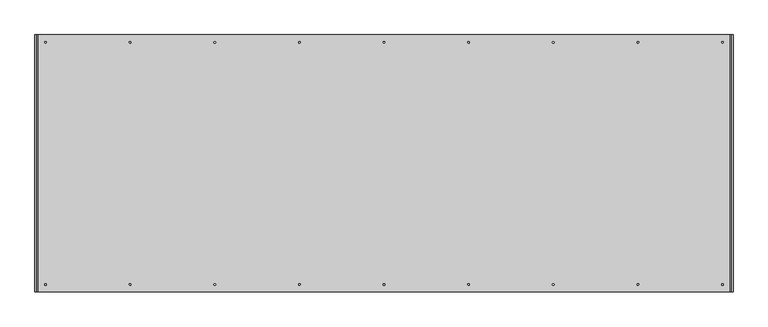
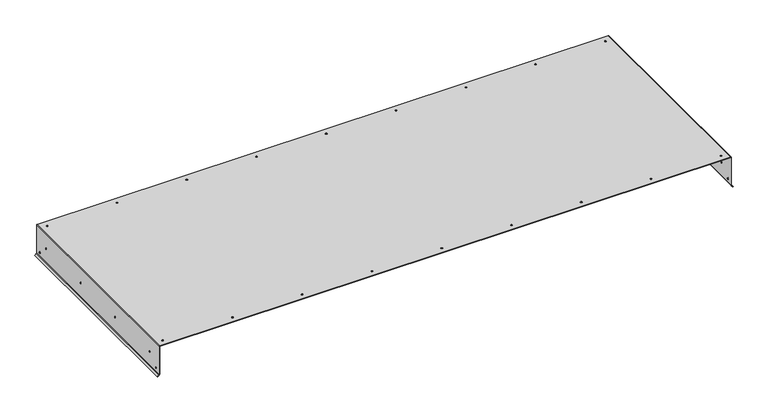
"""IFC4 building model written with IfcOpenShell, lengths in millimetres: proxy geometry."""

from ifc_helpers import new_model, si_unit, frame, origin, place, context, project, spatial, polyline, circle_curve, source, transform, mapped, element, save
from ifc_brep_helpers import plane_surface, cylinder_surface, revolved_surface, advanced_brep


def generic_models_535d8d44(model_context):
    return source(origin(), model_context, "Body", "AdvancedBrep", [
        advanced_brep(
        [(18.81378, -15.63624, 0.0), (18.81378, -15.63624, 1.00584), (15.38478, -15.63624, 1.00584), (15.38478, -15.63624, 0.0), (196.61378, -15.63624, 0.0), (196.61378, -15.63624, 1.00584), (193.18478, -15.63624, 1.00584), (193.18478, -15.63624, 0.0), (374.41378, -15.63624, 0.0), (374.41378, -15.63624, 1.00584), (370.98478, -15.63624, 1.00584), (370.98478, -15.63624, 0.0), (552.21378, -15.63624, 0.0), (552.21378, -15.63624, 1.00584), (548.78478, -15.63624, 1.00584), (548.78478, -15.63624, 0.0), (730.01378, -15.63624, 0.0), (730.01378, -15.63624, 1.00584), (726.58478, -15.63624, 1.00584), (726.58478, -15.63624, 0.0), (907.81378, -15.63624, 0.0), (907.81378, -15.63624, 1.00584), (904.38478, -15.63624, 1.00584), (904.38478, -15.63624, 0.0), (1085.61378, -15.63624, 0.0), (1085.61378, -15.63624, 1.00584), (1082.18478, -15.63624, 1.00584), (1082.18478, -15.63624, 0.0), (1263.41378, -15.63624, 0.0), (1263.41378, -15.63624, 1.00584), (1259.98478, -15.63624, 1.00584), (1259.98478, -15.63624, 0.0), (1441.21378, -15.63624, 0.0), (1441.21378, -15.63624, 1.00584), (1437.78478, -15.63624, 1.00584), (1437.78478, -15.63624, 0.0), (1441.21378, -525.34312, 0.0), (1441.21378, -525.34312, 1.00584), (1437.78478, -525.34312, 1.00584), (1437.78478, -525.34312, 0.0), (1263.41378, -525.34312, 0.0), (1263.41378, -525.34312, 1.00584), (1259.98478, -525.34312, 1.00584), (1259.98478, -525.34312, 0.0), (1085.61378, -525.34312, 0.0), (1085.61378, -525.34312, 1.00584), (1082.18478, -525.34312, 1.00584), (1082.18478, -525.34312, 0.0), (907.81378, -525.34312, 0.0), (907.81378, -525.34312, 1.00584), (904.38478, -525.34312, 1.00584), (904.38478, -525.34312, 0.0), (730.01378, -525.34312, 0.0), (730.01378, -525.34312, 1.00584), (726.58478, -525.34312, 1.00584), (726.58478, -525.34312, 0.0), (552.21378, -525.34312, 0.0), (552.21378, -525.34312, 1.00584), (548.78478, -525.34312, 1.00584), (548.78478, -525.34312, 0.0), (374.41378, -525.34312, 0.0), (374.41378, -525.34312, 1.00584), (370.98478, -525.34312, 1.00584), (370.98478, -525.34312, 0.0), (196.61378, -525.34312, 0.0), (196.61378, -525.34312, 1.00584), (193.18478, -525.34312, 1.00584), (193.18478, -525.34312, 0.0), (18.81378, -525.34312, 0.0), (18.81378, -525.34312, 1.00584), (15.38478, -525.34312, 1.00584), (15.38478, -525.34312, 0.0), (-1.00584, -41.88968, -40.13708), (0.0, -41.88968, -40.13708), (0.0, -41.88968, -36.70808), (-1.00584, -41.88968, -36.70808), (1456.59856, -41.88968, -40.13708), (1457.6044, -41.88968, -40.13708), (1457.6044, -41.88968, -36.70808), (1456.59856, -41.88968, -36.70808), (-1.00584, -346.68968, -40.13708), (0.0, -346.68968, -40.13708), (0.0, -346.68968, -36.70808), (-1.00584, -346.68968, -36.70808), (1456.59856, -346.68968, -40.13708), (1457.6044, -346.68968, -40.13708), (1457.6044, -346.68968, -36.70808), (1456.59856, -346.68968, -36.70808), (-1.00584, -499.08968, -40.13708), (0.0, -499.08968, -40.13708), (0.0, -499.08968, -36.70808), (-1.00584, -499.08968, -36.70808), (1456.59856, -499.08968, -40.13708), (1457.6044, -499.08968, -40.13708), (1457.6044, -499.08968, -36.70808), (1456.59856, -499.08968, -36.70808), (-1.00584, -194.28968, -40.13708), (0.0, -194.28968, -40.13708), (0.0, -194.28968, -36.70808), (-1.00584, -194.28968, -36.70808), (1456.59856, -194.28968, -40.13708), (1457.6044, -194.28968, -40.13708), (1457.6044, -194.28968, -36.70808), (1456.59856, -194.28968, -36.70808), (-1.00584, -14.16812, -67.24396), (0.0, -14.16812, -67.24396), (0.0, -14.16812, -63.81496), (-1.00584, -14.16812, -63.81496), (1456.59856, -14.16812, -67.24396), (1457.6044, -14.16812, -67.24396), (1457.6044, -14.16812, -63.81496), (1456.59856, -14.16812, -63.81496), (-1.00584, -526.81124, -67.24396), (0.0, -526.81124, -67.24396), (0.0, -526.81124, -63.81496), (-1.00584, -526.81124, -63.81496), (1456.59856, -526.81124, -67.24396), (1457.6044, -526.81124, -67.24396), (1457.6044, -526.81124, -63.81496), (1456.59856, -526.81124, -63.81496), (1457.1877674, 0.0, -76.6368074), (1457.1877674, -540.97936, -76.6368074), (1456.59856, -540.97936, -75.2143349), (1456.59856, 0.0, -75.2143349), (1457.8990037, -540.97936, -75.9255711), (1457.8990037, 0.0, -75.9255711), (1457.6044, 0.0, -75.2143349), (1457.6044, -540.97936, -75.2143349), (1457.6044, 0.0, -1.00584), (1457.6044, -540.97936, -1.00584), (-0.5892074, -540.97936, -76.6368074), (-0.5892074, 0.0, -76.6368074), (0.0, 0.0, -75.2143349), (0.0, -540.97936, -75.2143349), (-1.3004437, 0.0, -75.9255711), (-1.3004437, -540.97936, -75.9255711), (-1.00584, -540.97936, -75.2143349), (-1.00584, 0.0, -75.2143349), (-1.00584, -540.97936, -1.00584), (-1.00584, 0.0, -1.00584), (1455.59272, 0.0, 1.00584), (1455.59272, -540.97936, 1.00584), (1456.59856, 0.0, -1.00584), (1456.59856, -540.97936, -1.00584), (1455.59272, -540.97936, 0.0), (1455.59272, 0.0, 0.0), (1.00584, -540.97936, 0.0), (1.00584, 0.0, 0.0), (1.00584, -540.97936, 1.00584), (1.00584, 0.0, 1.00584), (0.0, -540.97936, -1.00584), (0.0, 0.0, -1.00584), (-4.4901281, -540.97936, -80.5377281), (-4.4901281, 0.0, -80.5377281), (-5.2013643, -540.97936, -79.8264918), (-5.2013643, 0.0, -79.8264918), (1461.0886881, -540.97936, -80.5377281), (1461.7999243, -540.97936, -79.8264918), (1461.0886881, 0.0, -80.5377281), (1461.7999243, 0.0, -79.8264918)],
        [
            (0, 1),
            (1, 2, circle_curve(frame((17.09928, -15.63624, 1.00584), z_axis=(0.0, 0.0, 1.0), x_axis=(1.0, 0.0, 0.0)), 1.7145)),
            (2, 3),
            (3, 0, circle_curve(frame((17.09928, -15.63624, 0.0), z_axis=(0.0, 0.0, -1.0), x_axis=(1.0, 0.0, 0.0)), 1.7145)),
            (4, 5),
            (5, 6, circle_curve(frame((194.89928, -15.63624, 1.00584), z_axis=(0.0, 0.0, 1.0), x_axis=(1.0, 0.0, 0.0)), 1.7145)),
            (6, 7),
            (7, 4, circle_curve(frame((194.89928, -15.63624, 0.0), z_axis=(0.0, 0.0, -1.0), x_axis=(1.0, 0.0, 0.0)), 1.7145)),
            (8, 9),
            (9, 10, circle_curve(frame((372.69928, -15.63624, 1.00584), z_axis=(0.0, 0.0, 1.0), x_axis=(1.0, 0.0, 0.0)), 1.7145)),
            (10, 11),
            (11, 8, circle_curve(frame((372.69928, -15.63624, 0.0), z_axis=(0.0, 0.0, -1.0), x_axis=(1.0, 0.0, 0.0)), 1.7145)),
            (12, 13),
            (13, 14, circle_curve(frame((550.49928, -15.63624, 1.00584), z_axis=(0.0, 0.0, 1.0), x_axis=(1.0, 0.0, 0.0)), 1.7145)),
            (14, 15),
            (15, 12, circle_curve(frame((550.49928, -15.63624, 0.0), z_axis=(0.0, 0.0, -1.0), x_axis=(1.0, 0.0, 0.0)), 1.7145)),
            (16, 17),
            (17, 18, circle_curve(frame((728.29928, -15.63624, 1.00584), z_axis=(0.0, 0.0, 1.0), x_axis=(1.0, 0.0, 0.0)), 1.7145)),
            (18, 19),
            (19, 16, circle_curve(frame((728.29928, -15.63624, 0.0), z_axis=(0.0, 0.0, -1.0), x_axis=(1.0, 0.0, 0.0)), 1.7145)),
            (20, 21),
            (21, 22, circle_curve(frame((906.09928, -15.63624, 1.00584), z_axis=(0.0, 0.0, 1.0), x_axis=(1.0, 0.0, 0.0)), 1.7145)),
            (22, 23),
            (23, 20, circle_curve(frame((906.09928, -15.63624, 0.0), z_axis=(0.0, 0.0, -1.0), x_axis=(1.0, 0.0, 0.0)), 1.7145)),
            (24, 25),
            (25, 26, circle_curve(frame((1083.89928, -15.63624, 1.00584), z_axis=(0.0, 0.0, 1.0), x_axis=(1.0, 0.0, 0.0)), 1.7145)),
            (26, 27),
            (27, 24, circle_curve(frame((1083.89928, -15.63624, 0.0), z_axis=(0.0, 0.0, -1.0), x_axis=(1.0, 0.0, 0.0)), 1.7145)),
            (28, 29),
            (29, 30, circle_curve(frame((1261.69928, -15.63624, 1.00584), z_axis=(0.0, 0.0, 1.0), x_axis=(1.0, 0.0, 0.0)), 1.7145)),
            (30, 31),
            (31, 28, circle_curve(frame((1261.69928, -15.63624, 0.0), z_axis=(0.0, 0.0, -1.0), x_axis=(1.0, 0.0, 0.0)), 1.7145)),
            (32, 33),
            (33, 34, circle_curve(frame((1439.49928, -15.63624, 1.00584), z_axis=(0.0, 0.0, 1.0), x_axis=(1.0, 0.0, 0.0)), 1.7145)),
            (34, 35),
            (35, 32, circle_curve(frame((1439.49928, -15.63624, 0.0), z_axis=(0.0, 0.0, -1.0), x_axis=(1.0, 0.0, 0.0)), 1.7145)),
            (36, 37),
            (37, 38, circle_curve(frame((1439.49928, -525.34312, 1.00584), z_axis=(0.0, 0.0, 1.0), x_axis=(1.0, 0.0, 0.0)), 1.7145)),
            (38, 39),
            (39, 36, circle_curve(frame((1439.49928, -525.34312, 0.0), z_axis=(0.0, 0.0, -1.0), x_axis=(1.0, 0.0, 0.0)), 1.7145)),
            (40, 41),
            (41, 42, circle_curve(frame((1261.69928, -525.34312, 1.00584), z_axis=(0.0, 0.0, 1.0), x_axis=(1.0, 0.0, 0.0)), 1.7145)),
            (42, 43),
            (43, 40, circle_curve(frame((1261.69928, -525.34312, 0.0), z_axis=(0.0, 0.0, -1.0), x_axis=(1.0, 0.0, 0.0)), 1.7145)),
            (44, 45),
            (45, 46, circle_curve(frame((1083.89928, -525.34312, 1.00584), z_axis=(0.0, 0.0, 1.0), x_axis=(1.0, 0.0, 0.0)), 1.7145)),
            (46, 47),
            (47, 44, circle_curve(frame((1083.89928, -525.34312, 0.0), z_axis=(0.0, 0.0, -1.0), x_axis=(1.0, 0.0, 0.0)), 1.7145)),
            (48, 49),
            (49, 50, circle_curve(frame((906.09928, -525.34312, 1.00584), z_axis=(0.0, 0.0, 1.0), x_axis=(1.0, 0.0, 0.0)), 1.7145)),
            (50, 51),
            (51, 48, circle_curve(frame((906.09928, -525.34312, 0.0), z_axis=(0.0, 0.0, -1.0), x_axis=(1.0, 0.0, 0.0)), 1.7145)),
            (52, 53),
            (53, 54, circle_curve(frame((728.29928, -525.34312, 1.00584), z_axis=(0.0, 0.0, 1.0), x_axis=(1.0, 0.0, 0.0)), 1.7145)),
            (54, 55),
            (55, 52, circle_curve(frame((728.29928, -525.34312, 0.0), z_axis=(0.0, 0.0, -1.0), x_axis=(1.0, 0.0, 0.0)), 1.7145)),
            (56, 57),
            (57, 58, circle_curve(frame((550.49928, -525.34312, 1.00584), z_axis=(0.0, 0.0, 1.0), x_axis=(1.0, 0.0, 0.0)), 1.7145)),
            (58, 59),
            (59, 56, circle_curve(frame((550.49928, -525.34312, 0.0), z_axis=(0.0, 0.0, -1.0), x_axis=(1.0, 0.0, 0.0)), 1.7145)),
            (60, 61),
            (61, 62, circle_curve(frame((372.69928, -525.34312, 1.00584), z_axis=(0.0, 0.0, 1.0), x_axis=(1.0, 0.0, 0.0)), 1.7145)),
            (62, 63),
            (63, 60, circle_curve(frame((372.69928, -525.34312, 0.0), z_axis=(0.0, 0.0, -1.0), x_axis=(1.0, 0.0, 0.0)), 1.7145)),
            (64, 65),
            (65, 66, circle_curve(frame((194.89928, -525.34312, 1.00584), z_axis=(0.0, 0.0, 1.0), x_axis=(1.0, 0.0, 0.0)), 1.7145)),
            (66, 67),
            (67, 64, circle_curve(frame((194.89928, -525.34312, 0.0), z_axis=(0.0, 0.0, -1.0), x_axis=(1.0, 0.0, 0.0)), 1.7145)),
            (68, 69),
            (69, 70, circle_curve(frame((17.09928, -525.34312, 1.00584), z_axis=(0.0, 0.0, 1.0), x_axis=(1.0, 0.0, 0.0)), 1.7145)),
            (70, 71),
            (71, 68, circle_curve(frame((17.09928, -525.34312, 0.0), z_axis=(0.0, 0.0, -1.0), x_axis=(1.0, 0.0, 0.0)), 1.7145)),
            (72, 73),
            (73, 74, circle_curve(frame((0.0, -41.88968, -38.42258), z_axis=(1.0, 0.0, 0.0), x_axis=(0.0, 0.0, -1.0)), 1.7145)),
            (74, 75),
            (75, 72, circle_curve(frame((-1.00584, -41.88968, -38.42258), z_axis=(-1.0, 0.0, 0.0), x_axis=(0.0, 0.0, -1.0)), 1.7145)),
            (76, 77),
            (77, 78, circle_curve(frame((1457.6044, -41.88968, -38.42258), z_axis=(1.0, 0.0, 0.0), x_axis=(0.0, 0.0, -1.0)), 1.7145)),
            (78, 79),
            (79, 76, circle_curve(frame((1456.59856, -41.88968, -38.42258), z_axis=(-1.0, 0.0, 0.0), x_axis=(0.0, 0.0, -1.0)), 1.7145)),
            (80, 81),
            (81, 82, circle_curve(frame((0.0, -346.68968, -38.42258), z_axis=(1.0, 0.0, 0.0), x_axis=(0.0, 0.0, -1.0)), 1.7145)),
            (82, 83),
            (83, 80, circle_curve(frame((-1.00584, -346.68968, -38.42258), z_axis=(-1.0, 0.0, 0.0), x_axis=(0.0, 0.0, -1.0)), 1.7145)),
            (84, 85),
            (85, 86, circle_curve(frame((1457.6044, -346.68968, -38.42258), z_axis=(1.0, 0.0, 0.0), x_axis=(0.0, 0.0, -1.0)), 1.7145)),
            (86, 87),
            (87, 84, circle_curve(frame((1456.59856, -346.68968, -38.42258), z_axis=(-1.0, 0.0, 0.0), x_axis=(0.0, 0.0, -1.0)), 1.7145)),
            (88, 89),
            (89, 90, circle_curve(frame((0.0, -499.08968, -38.42258), z_axis=(1.0, 0.0, 0.0), x_axis=(0.0, 0.0, -1.0)), 1.7145)),
            (90, 91),
            (91, 88, circle_curve(frame((-1.00584, -499.08968, -38.42258), z_axis=(-1.0, 0.0, 0.0), x_axis=(0.0, 0.0, -1.0)), 1.7145)),
            (92, 93),
            (93, 94, circle_curve(frame((1457.6044, -499.08968, -38.42258), z_axis=(1.0, 0.0, 0.0), x_axis=(0.0, 0.0, -1.0)), 1.7145)),
            (94, 95),
            (95, 92, circle_curve(frame((1456.59856, -499.08968, -38.42258), z_axis=(-1.0, 0.0, 0.0), x_axis=(0.0, 0.0, -1.0)), 1.7145)),
            (96, 97),
            (97, 98, circle_curve(frame((0.0, -194.28968, -38.42258), z_axis=(1.0, 0.0, 0.0), x_axis=(0.0, 0.0, -1.0)), 1.7145)),
            (98, 99),
            (99, 96, circle_curve(frame((-1.00584, -194.28968, -38.42258), z_axis=(-1.0, 0.0, 0.0), x_axis=(0.0, 0.0, -1.0)), 1.7145)),
            (100, 101),
            (101, 102, circle_curve(frame((1457.6044, -194.28968, -38.42258), z_axis=(1.0, 0.0, 0.0), x_axis=(0.0, 0.0, -1.0)), 1.7145)),
            (102, 103),
            (103, 100, circle_curve(frame((1456.59856, -194.28968, -38.42258), z_axis=(-1.0, 0.0, 0.0), x_axis=(0.0, 0.0, -1.0)), 1.7145)),
            (104, 105),
            (105, 106, circle_curve(frame((0.0, -14.16812, -65.52946), z_axis=(1.0, 0.0, 0.0), x_axis=(0.0, 0.0, -1.0)), 1.7145)),
            (106, 107),
            (107, 104, circle_curve(frame((-1.00584, -14.16812, -65.52946), z_axis=(-1.0, 0.0, 0.0), x_axis=(0.0, 0.0, -1.0)), 1.7145)),
            (108, 109),
            (109, 110, circle_curve(frame((1457.6044, -14.16812, -65.52946), z_axis=(1.0, 0.0, 0.0), x_axis=(0.0, 0.0, -1.0)), 1.7145)),
            (110, 111),
            (111, 108, circle_curve(frame((1456.59856, -14.16812, -65.52946), z_axis=(-1.0, 0.0, 0.0), x_axis=(0.0, 0.0, -1.0)), 1.7145)),
            (112, 113),
            (113, 114, circle_curve(frame((0.0, -526.81124, -65.52946), z_axis=(1.0, 0.0, 0.0), x_axis=(0.0, 0.0, -1.0)), 1.7145)),
            (114, 115),
            (115, 112, circle_curve(frame((-1.00584, -526.81124, -65.52946), z_axis=(-1.0, 0.0, 0.0), x_axis=(0.0, 0.0, -1.0)), 1.7145)),
            (116, 117),
            (117, 118, circle_curve(frame((1457.6044, -526.81124, -65.52946), z_axis=(1.0, 0.0, 0.0), x_axis=(0.0, 0.0, -1.0)), 1.7145)),
            (118, 119),
            (119, 116, circle_curve(frame((1456.59856, -526.81124, -65.52946), z_axis=(-1.0, 0.0, 0.0), x_axis=(0.0, 0.0, -1.0)), 1.7145)),
            (120, 121),
            (121, 122, circle_curve(frame((1458.61024, -540.97936, -75.2143349), z_axis=(0.0, 1.0, 0.0), x_axis=(-1.0, 0.0, 0.0)), 2.01168)),
            (122, 123),
            (123, 120, circle_curve(frame((1458.61024, 0.0, -75.2143349), z_axis=(0.0, -1.0, 0.0), x_axis=(-1.0, 0.0, 0.0)), 2.01168)),
            (124, 125),
            (125, 126, circle_curve(frame((1458.61024, 0.0, -75.2143349), z_axis=(0.0, 1.0, 0.0), x_axis=(-1.0, 0.0, 0.0)), 1.00584)),
            (126, 127),
            (127, 124, circle_curve(frame((1458.61024, -540.97936, -75.2143349), z_axis=(0.0, -1.0, 0.0), x_axis=(-1.0, 0.0, 0.0)), 1.00584)),
            (126, 128),
            (128, 129),
            (129, 127),
            (77, 78, circle_curve(frame((1457.6044, -41.88968, -38.42258), z_axis=(-1.0, 0.0, 0.0), x_axis=(0.0, 0.0, -1.0)), 1.7145)),
            (85, 86, circle_curve(frame((1457.6044, -346.68968, -38.42258), z_axis=(-1.0, 0.0, 0.0), x_axis=(0.0, 0.0, -1.0)), 1.7145)),
            (93, 94, circle_curve(frame((1457.6044, -499.08968, -38.42258), z_axis=(-1.0, 0.0, 0.0), x_axis=(0.0, 0.0, -1.0)), 1.7145)),
            (101, 102, circle_curve(frame((1457.6044, -194.28968, -38.42258), z_axis=(-1.0, 0.0, 0.0), x_axis=(0.0, 0.0, -1.0)), 1.7145)),
            (109, 110, circle_curve(frame((1457.6044, -14.16812, -65.52946), z_axis=(-1.0, 0.0, 0.0), x_axis=(0.0, 0.0, -1.0)), 1.7145)),
            (117, 118, circle_curve(frame((1457.6044, -526.81124, -65.52946), z_axis=(-1.0, 0.0, 0.0), x_axis=(0.0, 0.0, -1.0)), 1.7145)),
            (130, 131),
            (131, 132, circle_curve(frame((-2.01168, 0.0, -75.2143349), z_axis=(0.0, -1.0, 0.0), x_axis=(1.0, 0.0, 0.0)), 2.01168)),
            (132, 133),
            (133, 130, circle_curve(frame((-2.01168, -540.97936, -75.2143349), z_axis=(0.0, 1.0, 0.0), x_axis=(1.0, 0.0, 0.0)), 2.01168)),
            (134, 135),
            (135, 136, circle_curve(frame((-2.01168, -540.97936, -75.2143349), z_axis=(0.0, -1.0, 0.0), x_axis=(1.0, 0.0, 0.0)), 1.00584)),
            (136, 137),
            (137, 134, circle_curve(frame((-2.01168, 0.0, -75.2143349), z_axis=(0.0, 1.0, 0.0), x_axis=(1.0, 0.0, 0.0)), 1.00584)),
            (136, 138),
            (138, 139),
            (139, 137),
            (75, 72, circle_curve(frame((-1.00584, -41.88968, -38.42258), z_axis=(1.0, 0.0, 0.0), x_axis=(0.0, 0.0, -1.0)), 1.7145)),
            (83, 80, circle_curve(frame((-1.00584, -346.68968, -38.42258), z_axis=(1.0, 0.0, 0.0), x_axis=(0.0, 0.0, -1.0)), 1.7145)),
            (91, 88, circle_curve(frame((-1.00584, -499.08968, -38.42258), z_axis=(1.0, 0.0, 0.0), x_axis=(0.0, 0.0, -1.0)), 1.7145)),
            (99, 96, circle_curve(frame((-1.00584, -194.28968, -38.42258), z_axis=(1.0, 0.0, 0.0), x_axis=(0.0, 0.0, -1.0)), 1.7145)),
            (107, 104, circle_curve(frame((-1.00584, -14.16812, -65.52946), z_axis=(1.0, 0.0, 0.0), x_axis=(0.0, 0.0, -1.0)), 1.7145)),
            (115, 112, circle_curve(frame((-1.00584, -526.81124, -65.52946), z_axis=(1.0, 0.0, 0.0), x_axis=(0.0, 0.0, -1.0)), 1.7145)),
            (116, 119, circle_curve(frame((1456.59856, -526.81124, -65.52946), z_axis=(-1.0, 0.0, 0.0), x_axis=(0.0, 0.0, -1.0)), 1.7145)),
            (114, 113, circle_curve(frame((0.0, -526.81124, -65.52946), z_axis=(1.0, 0.0, 0.0), x_axis=(0.0, 0.0, -1.0)), 1.7145)),
            (108, 111, circle_curve(frame((1456.59856, -14.16812, -65.52946), z_axis=(-1.0, 0.0, 0.0), x_axis=(0.0, 0.0, -1.0)), 1.7145)),
            (106, 105, circle_curve(frame((0.0, -14.16812, -65.52946), z_axis=(1.0, 0.0, 0.0), x_axis=(0.0, 0.0, -1.0)), 1.7145)),
            (100, 103, circle_curve(frame((1456.59856, -194.28968, -38.42258), z_axis=(-1.0, 0.0, 0.0), x_axis=(0.0, 0.0, -1.0)), 1.7145)),
            (98, 97, circle_curve(frame((0.0, -194.28968, -38.42258), z_axis=(1.0, 0.0, 0.0), x_axis=(0.0, 0.0, -1.0)), 1.7145)),
            (92, 95, circle_curve(frame((1456.59856, -499.08968, -38.42258), z_axis=(-1.0, 0.0, 0.0), x_axis=(0.0, 0.0, -1.0)), 1.7145)),
            (90, 89, circle_curve(frame((0.0, -499.08968, -38.42258), z_axis=(1.0, 0.0, 0.0), x_axis=(0.0, 0.0, -1.0)), 1.7145)),
            (84, 87, circle_curve(frame((1456.59856, -346.68968, -38.42258), z_axis=(-1.0, 0.0, 0.0), x_axis=(0.0, 0.0, -1.0)), 1.7145)),
            (82, 81, circle_curve(frame((0.0, -346.68968, -38.42258), z_axis=(1.0, 0.0, 0.0), x_axis=(0.0, 0.0, -1.0)), 1.7145)),
            (76, 79, circle_curve(frame((1456.59856, -41.88968, -38.42258), z_axis=(-1.0, 0.0, 0.0), x_axis=(0.0, 0.0, -1.0)), 1.7145)),
            (74, 73, circle_curve(frame((0.0, -41.88968, -38.42258), z_axis=(1.0, 0.0, 0.0), x_axis=(0.0, 0.0, -1.0)), 1.7145)),
            (68, 71, circle_curve(frame((17.09928, -525.34312, 0.0), z_axis=(0.0, 0.0, -1.0), x_axis=(1.0, 0.0, 0.0)), 1.7145)),
            (70, 69, circle_curve(frame((17.09928, -525.34312, 1.00584), z_axis=(0.0, 0.0, 1.0), x_axis=(1.0, 0.0, 0.0)), 1.7145)),
            (64, 67, circle_curve(frame((194.89928, -525.34312, 0.0), z_axis=(0.0, 0.0, -1.0), x_axis=(1.0, 0.0, 0.0)), 1.7145)),
            (66, 65, circle_curve(frame((194.89928, -525.34312, 1.00584), z_axis=(0.0, 0.0, 1.0), x_axis=(1.0, 0.0, 0.0)), 1.7145)),
            (60, 63, circle_curve(frame((372.69928, -525.34312, 0.0), z_axis=(0.0, 0.0, -1.0), x_axis=(1.0, 0.0, 0.0)), 1.7145)),
            (62, 61, circle_curve(frame((372.69928, -525.34312, 1.00584), z_axis=(0.0, 0.0, 1.0), x_axis=(1.0, 0.0, 0.0)), 1.7145)),
            (56, 59, circle_curve(frame((550.49928, -525.34312, 0.0), z_axis=(0.0, 0.0, -1.0), x_axis=(1.0, 0.0, 0.0)), 1.7145)),
            (58, 57, circle_curve(frame((550.49928, -525.34312, 1.00584), z_axis=(0.0, 0.0, 1.0), x_axis=(1.0, 0.0, 0.0)), 1.7145)),
            (52, 55, circle_curve(frame((728.29928, -525.34312, 0.0), z_axis=(0.0, 0.0, -1.0), x_axis=(1.0, 0.0, 0.0)), 1.7145)),
            (54, 53, circle_curve(frame((728.29928, -525.34312, 1.00584), z_axis=(0.0, 0.0, 1.0), x_axis=(1.0, 0.0, 0.0)), 1.7145)),
            (48, 51, circle_curve(frame((906.09928, -525.34312, 0.0), z_axis=(0.0, 0.0, -1.0), x_axis=(1.0, 0.0, 0.0)), 1.7145)),
            (50, 49, circle_curve(frame((906.09928, -525.34312, 1.00584), z_axis=(0.0, 0.0, 1.0), x_axis=(1.0, 0.0, 0.0)), 1.7145)),
            (44, 47, circle_curve(frame((1083.89928, -525.34312, 0.0), z_axis=(0.0, 0.0, -1.0), x_axis=(1.0, 0.0, 0.0)), 1.7145)),
            (46, 45, circle_curve(frame((1083.89928, -525.34312, 1.00584), z_axis=(0.0, 0.0, 1.0), x_axis=(1.0, 0.0, 0.0)), 1.7145)),
            (40, 43, circle_curve(frame((1261.69928, -525.34312, 0.0), z_axis=(0.0, 0.0, -1.0), x_axis=(1.0, 0.0, 0.0)), 1.7145)),
            (42, 41, circle_curve(frame((1261.69928, -525.34312, 1.00584), z_axis=(0.0, 0.0, 1.0), x_axis=(1.0, 0.0, 0.0)), 1.7145)),
            (36, 39, circle_curve(frame((1439.49928, -525.34312, 0.0), z_axis=(0.0, 0.0, -1.0), x_axis=(1.0, 0.0, 0.0)), 1.7145)),
            (38, 37, circle_curve(frame((1439.49928, -525.34312, 1.00584), z_axis=(0.0, 0.0, 1.0), x_axis=(1.0, 0.0, 0.0)), 1.7145)),
            (32, 35, circle_curve(frame((1439.49928, -15.63624, 0.0), z_axis=(0.0, 0.0, -1.0), x_axis=(1.0, 0.0, 0.0)), 1.7145)),
            (34, 33, circle_curve(frame((1439.49928, -15.63624, 1.00584), z_axis=(0.0, 0.0, 1.0), x_axis=(1.0, 0.0, 0.0)), 1.7145)),
            (28, 31, circle_curve(frame((1261.69928, -15.63624, 0.0), z_axis=(0.0, 0.0, -1.0), x_axis=(1.0, 0.0, 0.0)), 1.7145)),
            (30, 29, circle_curve(frame((1261.69928, -15.63624, 1.00584), z_axis=(0.0, 0.0, 1.0), x_axis=(1.0, 0.0, 0.0)), 1.7145)),
            (24, 27, circle_curve(frame((1083.89928, -15.63624, 0.0), z_axis=(0.0, 0.0, -1.0), x_axis=(1.0, 0.0, 0.0)), 1.7145)),
            (26, 25, circle_curve(frame((1083.89928, -15.63624, 1.00584), z_axis=(0.0, 0.0, 1.0), x_axis=(1.0, 0.0, 0.0)), 1.7145)),
            (20, 23, circle_curve(frame((906.09928, -15.63624, 0.0), z_axis=(0.0, 0.0, -1.0), x_axis=(1.0, 0.0, 0.0)), 1.7145)),
            (22, 21, circle_curve(frame((906.09928, -15.63624, 1.00584), z_axis=(0.0, 0.0, 1.0), x_axis=(1.0, 0.0, 0.0)), 1.7145)),
            (16, 19, circle_curve(frame((728.29928, -15.63624, 0.0), z_axis=(0.0, 0.0, -1.0), x_axis=(1.0, 0.0, 0.0)), 1.7145)),
            (18, 17, circle_curve(frame((728.29928, -15.63624, 1.00584), z_axis=(0.0, 0.0, 1.0), x_axis=(1.0, 0.0, 0.0)), 1.7145)),
            (12, 15, circle_curve(frame((550.49928, -15.63624, 0.0), z_axis=(0.0, 0.0, -1.0), x_axis=(1.0, 0.0, 0.0)), 1.7145)),
            (14, 13, circle_curve(frame((550.49928, -15.63624, 1.00584), z_axis=(0.0, 0.0, 1.0), x_axis=(1.0, 0.0, 0.0)), 1.7145)),
            (8, 11, circle_curve(frame((372.69928, -15.63624, 0.0), z_axis=(0.0, 0.0, -1.0), x_axis=(1.0, 0.0, 0.0)), 1.7145)),
            (10, 9, circle_curve(frame((372.69928, -15.63624, 1.00584), z_axis=(0.0, 0.0, 1.0), x_axis=(1.0, 0.0, 0.0)), 1.7145)),
            (4, 7, circle_curve(frame((194.89928, -15.63624, 0.0), z_axis=(0.0, 0.0, -1.0), x_axis=(1.0, 0.0, 0.0)), 1.7145)),
            (6, 5, circle_curve(frame((194.89928, -15.63624, 1.00584), z_axis=(0.0, 0.0, 1.0), x_axis=(1.0, 0.0, 0.0)), 1.7145)),
            (0, 3, circle_curve(frame((17.09928, -15.63624, 0.0), z_axis=(0.0, 0.0, -1.0), x_axis=(1.0, 0.0, 0.0)), 1.7145)),
            (2, 1, circle_curve(frame((17.09928, -15.63624, 1.00584), z_axis=(0.0, 0.0, 1.0), x_axis=(1.0, 0.0, 0.0)), 1.7145)),
            (128, 140, circle_curve(frame((1455.59272, 0.0, -1.00584), z_axis=(0.0, -1.0, 0.0), x_axis=(0.0, 0.0, 1.0)), 2.01168)),
            (140, 141),
            (141, 129, circle_curve(frame((1455.59272, -540.97936, -1.00584), z_axis=(0.0, 1.0, 0.0), x_axis=(0.0, 0.0, 1.0)), 2.01168)),
            (142, 143),
            (143, 144, circle_curve(frame((1455.59272, -540.97936, -1.00584), z_axis=(0.0, -1.0, 0.0), x_axis=(0.0, 0.0, 1.0)), 1.00584)),
            (144, 145),
            (145, 142, circle_curve(frame((1455.59272, 0.0, -1.00584), z_axis=(0.0, 1.0, 0.0), x_axis=(0.0, 0.0, 1.0)), 1.00584)),
            (144, 146),
            (146, 147),
            (147, 145),
            (138, 148, circle_curve(frame((1.00584, -540.97936, -1.00584), z_axis=(0.0, 1.0, 0.0), x_axis=(0.0, 0.0, 1.0)), 2.01168)),
            (148, 149),
            (149, 139, circle_curve(frame((1.00584, 0.0, -1.00584), z_axis=(0.0, -1.0, 0.0), x_axis=(0.0, 0.0, 1.0)), 2.01168)),
            (150, 151),
            (151, 147, circle_curve(frame((1.00584, 0.0, -1.00584), z_axis=(0.0, 1.0, 0.0), x_axis=(0.0, 0.0, 1.0)), 1.00584)),
            (146, 150, circle_curve(frame((1.00584, -540.97936, -1.00584), z_axis=(0.0, -1.0, 0.0), x_axis=(0.0, 0.0, 1.0)), 1.00584)),
            (140, 149),
            (148, 141),
            (132, 151),
            (150, 133),
            (122, 143),
            (142, 123),
            (130, 152),
            (152, 153),
            (153, 131),
            (154, 155),
            (155, 153),
            (152, 154),
            (134, 155),
            (154, 135),
            (121, 156),
            (156, 157),
            (157, 124),
            (120, 158),
            (158, 156),
            (125, 159),
            (159, 158),
            (159, 157),
        ],
        [
            revolved_surface(polyline([(18.81378, -15.63624, 1.0058399999999992), (18.81378, -15.63624, 0.0)]), (17.09928, -15.63624, -8.51916), (0.0, 0.0, 1.0)),
            revolved_surface(polyline([(196.61378, -15.63624, 1.0058399999999992), (196.61378, -15.63624, 0.0)]), (194.89928, -15.63624, -8.51916), (0.0, 0.0, 1.0)),
            revolved_surface(polyline([(374.41378, -15.63624, 1.0058399999999992), (374.41378, -15.63624, 0.0)]), (372.69928, -15.63624, -8.51916), (0.0, 0.0, 1.0)),
            revolved_surface(polyline([(552.21378, -15.63624, 1.0058399999999992), (552.21378, -15.63624, 0.0)]), (550.49928, -15.63624, -8.51916), (0.0, 0.0, 1.0)),
            revolved_surface(polyline([(730.01378, -15.63624, 1.0058399999999992), (730.01378, -15.63624, 0.0)]), (728.29928, -15.63624, -8.51916), (0.0, 0.0, 1.0)),
            revolved_surface(polyline([(907.8137800000001, -15.63624, 1.0058399999999992), (907.8137800000001, -15.63624, 0.0)]), (906.09928, -15.63624, -8.51916), (0.0, 0.0, 1.0)),
            revolved_surface(polyline([(1085.6137800000001, -15.63624, 1.0058399999999992), (1085.6137800000001, -15.63624, 0.0)]), (1083.89928, -15.63624, -8.51916), (0.0, 0.0, 1.0)),
            revolved_surface(polyline([(1263.41378, -15.63624, 1.0058399999999992), (1263.41378, -15.63624, 0.0)]), (1261.69928, -15.63624, -8.51916), (0.0, 0.0, 1.0)),
            revolved_surface(polyline([(1441.21378, -15.63624, 1.0058399999999992), (1441.21378, -15.63624, 0.0)]), (1439.49928, -15.63624, -8.51916), (0.0, 0.0, 1.0)),
            revolved_surface(polyline([(1441.21378, -525.34312, 1.0058399999999992), (1441.21378, -525.34312, 0.0)]), (1439.49928, -525.34312, -8.51916), (0.0, 0.0, 1.0)),
            revolved_surface(polyline([(1263.41378, -525.34312, 1.0058399999999992), (1263.41378, -525.34312, 0.0)]), (1261.69928, -525.34312, -8.51916), (0.0, 0.0, 1.0)),
            revolved_surface(polyline([(1085.6137800000001, -525.34312, 1.0058399999999992), (1085.6137800000001, -525.34312, 0.0)]), (1083.89928, -525.34312, -8.51916), (0.0, 0.0, 1.0)),
            revolved_surface(polyline([(907.8137800000001, -525.34312, 1.0058399999999992), (907.8137800000001, -525.34312, 0.0)]), (906.09928, -525.34312, -8.51916), (0.0, 0.0, 1.0)),
            revolved_surface(polyline([(730.01378, -525.34312, 1.0058399999999992), (730.01378, -525.34312, 0.0)]), (728.29928, -525.34312, -8.51916), (0.0, 0.0, 1.0)),
            revolved_surface(polyline([(552.21378, -525.34312, 1.0058399999999992), (552.21378, -525.34312, 0.0)]), (550.49928, -525.34312, -8.51916), (0.0, 0.0, 1.0)),
            revolved_surface(polyline([(374.41378, -525.34312, 1.0058399999999992), (374.41378, -525.34312, 0.0)]), (372.69928, -525.34312, -8.51916), (0.0, 0.0, 1.0)),
            revolved_surface(polyline([(196.61378, -525.34312, 1.0058399999999992), (196.61378, -525.34312, 0.0)]), (194.89928, -525.34312, -8.51916), (0.0, 0.0, 1.0)),
            revolved_surface(polyline([(18.81378, -525.34312, 1.0058399999999992), (18.81378, -525.34312, 0.0)]), (17.09928, -525.34312, -8.51916), (0.0, 0.0, 1.0)),
            revolved_surface(polyline([(0.0, -41.88968, -40.137080000000005), (-1.0058400000000063, -41.88968, -40.137080000000005)]), (-100.0026534, -41.88968, -38.42258), (1.0, 0.0, 0.0)),
            revolved_surface(polyline([(1457.6044, -41.88968, -40.137080000000005), (1456.59856, -41.88968, -40.137080000000005)]), (-100.0026534, -41.88968, -38.42258), (1.0, 0.0, 0.0)),
            revolved_surface(polyline([(0.0, -346.68968, -40.137080000000005), (-1.0058400000000063, -346.68968, -40.137080000000005)]), (-100.0026534, -346.68968, -38.42258), (1.0, 0.0, 0.0)),
            revolved_surface(polyline([(1457.6044, -346.68968, -40.137080000000005), (1456.59856, -346.68968, -40.137080000000005)]), (-100.0026534, -346.68968, -38.42258), (1.0, 0.0, 0.0)),
            revolved_surface(polyline([(0.0, -499.08968, -40.137080000000005), (-1.0058400000000063, -499.08968, -40.137080000000005)]), (-100.0026534, -499.08968, -38.42258), (1.0, 0.0, 0.0)),
            revolved_surface(polyline([(1457.6044, -499.08968, -40.137080000000005), (1456.59856, -499.08968, -40.137080000000005)]), (-100.0026534, -499.08968, -38.42258), (1.0, 0.0, 0.0)),
            revolved_surface(polyline([(0.0, -194.28968, -40.137080000000005), (-1.0058400000000063, -194.28968, -40.137080000000005)]), (-100.0026534, -194.28968, -38.42258), (1.0, 0.0, 0.0)),
            revolved_surface(polyline([(1457.6044, -194.28968, -40.137080000000005), (1456.59856, -194.28968, -40.137080000000005)]), (-100.0026534, -194.28968, -38.42258), (1.0, 0.0, 0.0)),
            revolved_surface(polyline([(0.0, -14.16812, -67.24396), (-1.0058400000000063, -14.16812, -67.24396)]), (-100.0026534, -14.16812, -65.52946), (1.0, 0.0, 0.0)),
            revolved_surface(polyline([(1457.6044, -14.16812, -67.24396), (1456.59856, -14.16812, -67.24396)]), (-100.0026534, -14.16812, -65.52946), (1.0, 0.0, 0.0)),
            revolved_surface(polyline([(0.0, -526.81124, -67.24396), (-1.0058400000000063, -526.81124, -67.24396)]), (-100.0026534, -526.81124, -65.52946), (1.0, 0.0, 0.0)),
            revolved_surface(polyline([(1457.6044, -526.81124, -67.24396), (1456.59856, -526.81124, -67.24396)]), (-100.0026534, -526.81124, -65.52946), (1.0, 0.0, 0.0)),
            cylinder_surface(frame((1458.61024, -270.48968, -75.2143349), z_axis=(0.0, -1.0, 0.0), x_axis=(-1.0, 0.0, 0.0)), 2.01168),
            revolved_surface(polyline([(1457.6044, -540.97936, -75.2143349), (1457.6044, 0.0, -75.2143349)]), (1458.61024, -270.48968, -75.2143349), (0.0, -1.0, 0.0)),
            plane_surface(frame((1457.6044, -270.48968, -37.52088), z_axis=(1.0, 0.0, 0.0), x_axis=(0.0, 0.0, -1.0))),
            cylinder_surface(frame((-2.01168, -270.48968, -75.2143349), z_axis=(0.0, 1.0, 0.0), x_axis=(1.0, 0.0, 0.0)), 2.01168),
            revolved_surface(polyline([(-1.00584, 0.0, -75.2143349), (-1.00584, -540.97936, -75.2143349)]), (-2.01168, -270.48968, -75.2143349), (0.0, 1.0, 0.0)),
            plane_surface(frame((-1.00584, -270.48968, -37.52088), z_axis=(-1.0, 0.0, 0.0), x_axis=(0.0, 0.0, -1.0))),
            cylinder_surface(frame((1455.59272, -270.48968, -1.00584), z_axis=(0.0, 1.0, 0.0), x_axis=(0.0, 0.0, 1.0)), 2.01168),
            revolved_surface(polyline([(1455.59272, 0.0, 0.0), (1455.59272, -540.97936, 0.0)]), (1455.59272, -270.48968, -1.00584), (0.0, 1.0, 0.0)),
            plane_surface(frame((728.29928, -270.48968, 0.0), z_axis=(0.0, 0.0, -1.0), x_axis=(1.0, 0.0, 0.0))),
            cylinder_surface(frame((1.00584, -270.48968, -1.00584), z_axis=(0.0, -1.0, 0.0), x_axis=(0.0, 0.0, 1.0)), 2.01168),
            revolved_surface(polyline([(1.00584, -540.97936, 0.0), (1.00584, 0.0, 0.0)]), (1.00584, -270.48968, -1.00584), (0.0, -1.0, 0.0)),
            plane_surface(frame((728.29928, -270.48968, 1.00584), z_axis=(0.0, 0.0, 1.0), x_axis=(1.0, 0.0, 0.0))),
            plane_surface(frame((0.0, -270.48968, -37.52088), z_axis=(1.0, 0.0, 0.0), x_axis=(0.0, 0.0, -1.0))),
            plane_surface(frame((1456.59856, -270.48968, -37.52088), z_axis=(-1.0, 0.0, 0.0), x_axis=(0.0, 0.0, -1.0))),
            plane_surface(frame((-2.245064, -270.48968, -78.292664), z_axis=(0.7071067811865476, 0.0, -0.7071067811865475), x_axis=(-0.7071067811865475, 0.0, -0.7071067811865476))),
            plane_surface(frame((-4.4901281, -540.97936, -80.5377281), z_axis=(-0.7071067811865496, 0.0, -0.7071067811865455), x_axis=(-0.7071067811865455, 0.0, 0.7071067811865496))),
            plane_surface(frame((-2.9563003, -270.48968, -77.5814277), z_axis=(-0.7071067811865477, 0.0, 0.7071067811865474), x_axis=(-0.7071067811865474, 0.0, -0.7071067811865477))),
            plane_surface(frame((1461.0886881, -540.97936, -80.5377281), z_axis=(0.0, -1.0, 0.0), x_axis=(0.0, 0.0, -1.0))),
            plane_surface(frame((1458.843624, -270.48968, -78.292664), z_axis=(-0.7071067811865525, 0.0, -0.7071067811865426), x_axis=(0.7071067811865426, 0.0, -0.7071067811865525))),
            plane_surface(frame((1456.59856, 0.0, -76.0476), z_axis=(0.0, 1.0, 0.0), x_axis=(0.0, 0.0, 1.0))),
            plane_surface(frame((1461.0886881, 0.0, -80.5377281), z_axis=(0.7071067811865961, 0.0, -0.7071067811864991), x_axis=(-0.7071067811864991, 0.0, -0.7071067811865961))),
            plane_surface(frame((1459.5548603, -270.48968, -77.5814277), z_axis=(0.7071067811865526, 0.0, 0.7071067811865425), x_axis=(0.7071067811865425, 0.0, -0.7071067811865526))),
        ],
        [
            (0, [[1, 2, 3, 4]]),
            (1, [[5, 6, 7, 8]]),
            (2, [[9, 10, 11, 12]]),
            (3, [[13, 14, 15, 16]]),
            (4, [[17, 18, 19, 20]]),
            (5, [[21, 22, 23, 24]]),
            (6, [[25, 26, 27, 28]]),
            (7, [[29, 30, 31, 32]]),
            (8, [[33, 34, 35, 36]]),
            (9, [[37, 38, 39, 40]]),
            (10, [[41, 42, 43, 44]]),
            (11, [[45, 46, 47, 48]]),
            (12, [[49, 50, 51, 52]]),
            (13, [[53, 54, 55, 56]]),
            (14, [[57, 58, 59, 60]]),
            (15, [[61, 62, 63, 64]]),
            (16, [[65, 66, 67, 68]]),
            (17, [[69, 70, 71, 72]]),
            (18, [[73, 74, 75, 76]]),
            (19, [[77, 78, 79, 80]]),
            (20, [[81, 82, 83, 84]]),
            (21, [[85, 86, 87, 88]]),
            (22, [[89, 90, 91, 92]]),
            (23, [[93, 94, 95, 96]]),
            (24, [[97, 98, 99, 100]]),
            (25, [[101, 102, 103, 104]]),
            (26, [[105, 106, 107, 108]]),
            (27, [[109, 110, 111, 112]]),
            (28, [[113, 114, 115, 116]]),
            (29, [[117, 118, 119, 120]]),
            (30, [[121, 122, 123, 124]]),
            (31, [[125, 126, 127, 128]]),
            (32, [[-127, 129, 130, 131], [132, -78], [133, -86], [134, -94], [135, -102], [136, -110], [137, -118]]),
            (33, [[138, 139, 140, 141]]),
            (34, [[142, 143, 144, 145]]),
            (35, [[-144, 146, 147, 148], [149, -76], [150, -84], [151, -92], [152, -100], [153, -108], [154, -116]]),
            (29, [[-117, 155, -119, -137]]),
            (28, [[-113, -154, -115, 156]]),
            (27, [[-109, 157, -111, -136]]),
            (26, [[-105, -153, -107, 158]]),
            (25, [[-101, 159, -103, -135]]),
            (24, [[-97, -152, -99, 160]]),
            (23, [[-93, 161, -95, -134]]),
            (22, [[-89, -151, -91, 162]]),
            (21, [[-85, 163, -87, -133]]),
            (20, [[-81, -150, -83, 164]]),
            (19, [[-77, 165, -79, -132]]),
            (18, [[-73, -149, -75, 166]]),
            (17, [[-69, 167, -71, 168]]),
            (16, [[-65, 169, -67, 170]]),
            (15, [[-61, 171, -63, 172]]),
            (14, [[-57, 173, -59, 174]]),
            (13, [[-53, 175, -55, 176]]),
            (12, [[-49, 177, -51, 178]]),
            (11, [[-45, 179, -47, 180]]),
            (10, [[-41, 181, -43, 182]]),
            (9, [[-37, 183, -39, 184]]),
            (8, [[-33, 185, -35, 186]]),
            (7, [[-29, 187, -31, 188]]),
            (6, [[-25, 189, -27, 190]]),
            (5, [[-21, 191, -23, 192]]),
            (4, [[-17, 193, -19, 194]]),
            (3, [[-13, 195, -15, 196]]),
            (2, [[-9, 197, -11, 198]]),
            (1, [[-5, 199, -7, 200]]),
            (0, [[-1, 201, -3, 202]]),
            (36, [[-130, 203, 204, 205]]),
            (37, [[206, 207, 208, 209]]),
            (38, [[-208, 210, 211, 212], [-167, -72], [-169, -68], [-171, -64], [-173, -60], [-175, -56], [-177, -52], [-179, -48], [-181, -44], [-183, -40], [-185, -36], [-187, -32], [-189, -28], [-191, -24], [-193, -20], [-195, -16], [-197, -12], [-199, -8], [-201, -4]]),
            (39, [[-147, 213, 214, 215]]),
            (40, [[216, 217, -211, 218]]),
            (41, [[-204, 219, -214, 220], [-168, -70], [-170, -66], [-172, -62], [-174, -58], [-176, -54], [-178, -50], [-180, -46], [-182, -42], [-184, -38], [-186, -34], [-188, -30], [-190, -26], [-192, -22], [-194, -18], [-196, -14], [-198, -10], [-200, -6], [-202, -2]]),
            (42, [[-140, 221, -216, 222], [-74, -166], [-82, -164], [-90, -162], [-98, -160], [-106, -158], [-114, -156]]),
            (43, [[-123, 223, -206, 224], [-155, -120], [-157, -112], [-159, -104], [-161, -96], [-163, -88], [-165, -80]]),
            (44, [[-138, 225, 226, 227]]),
            (45, [[228, 229, -226, 230]]),
            (46, [[-142, 231, -228, 232]]),
            (47, [[233, 234, 235, -128, -131, -205, -220, -213, -146, -143, -232, -230, -225, -141, -222, -218, -210, -207, -223, -122]]),
            (48, [[-121, 236, 237, -233]]),
            (49, [[238, 239, -236, -124, -224, -209, -212, -217, -221, -139, -227, -229, -231, -145, -148, -215, -219, -203, -129, -126]]),
            (50, [[240, -234, -237, -239]]),
            (51, [[-125, -235, -240, -238]]),
        ],
    ),
    ])


if __name__ == "__main__":
    model = new_model("IFC4")
    model_context = context("Model", 3, world=origin())
    ifc_project = project(units=[si_unit("LENGTHUNIT", "METRE", prefix="MILLI")], contexts=[model_context])
    site = spatial("IfcSite", under=ifc_project)
    building = spatial("IfcBuilding", under=site)
    placement = place(None, origin())
    generic_models_shape = generic_models_535d8d44(model_context)
    element("IfcBuildingElementProxy", 1, Name="Generic Models", at=placement, inside=building, context=model_context, shape_type="MappedRepresentation", body=[
        mapped(generic_models_shape, transform((0.0, 0.0, 0.0), x_axis=(1.0, 0.0, 0.0), y_axis=(0.0, 1.0, 0.0), z_axis=(0.0, 0.0, 1.0))),
    ])
    save(model, "model.ifc")
